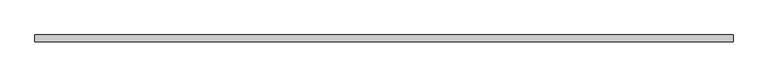
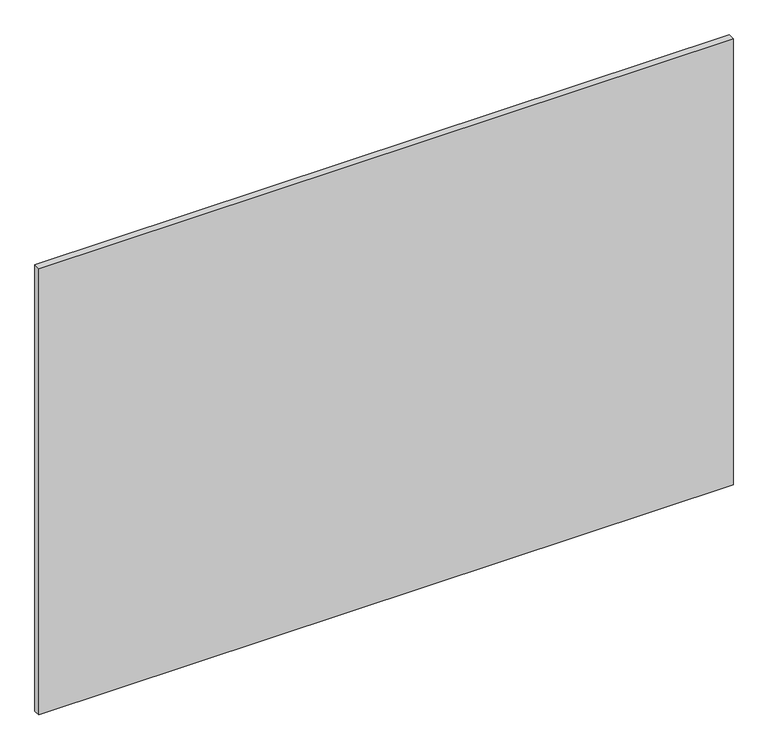
"""IFC4 building model written with IfcOpenShell, lengths in millimetres: plate geometry."""

from ifc_helpers import new_model, si_unit, origin, origin_with_axes, place, context, project, spatial, polyline, outline, extrude, source, transform, mapped, element, save


def plate_646b4a73(model_context):
    return source(origin(), model_context, "Body", "SweptSolid", [
        extrude(outline(polyline([(623.75, 6.0), (623.75, -6.0), (-623.75, -6.0), (-623.75, 6.0), (623.75, 6.0)])), origin_with_axes(), (0.0, 0.0, 1.0), 847.5),
    ])


if __name__ == "__main__":
    model = new_model("IFC4")
    model_context = context("Model", 3, world=origin())
    ifc_project = project(units=[si_unit("LENGTHUNIT", "METRE", prefix="MILLI")], contexts=[model_context])
    site = spatial("IfcSite", under=ifc_project)
    building = spatial("IfcBuilding", under=site)
    placement = place(None, origin())
    plate_shape = plate_646b4a73(model_context)
    element("IfcPlate", 1, at=placement, inside=building, context=model_context, shape_type="MappedRepresentation", body=[
        mapped(plate_shape, transform((0.0, 0.0, 0.0), x_axis=(1.0, 0.0, 0.0), y_axis=(0.0, 1.0, 0.0), z_axis=(0.0, 0.0, 1.0))),
    ])
    save(model, "model.ifc")
